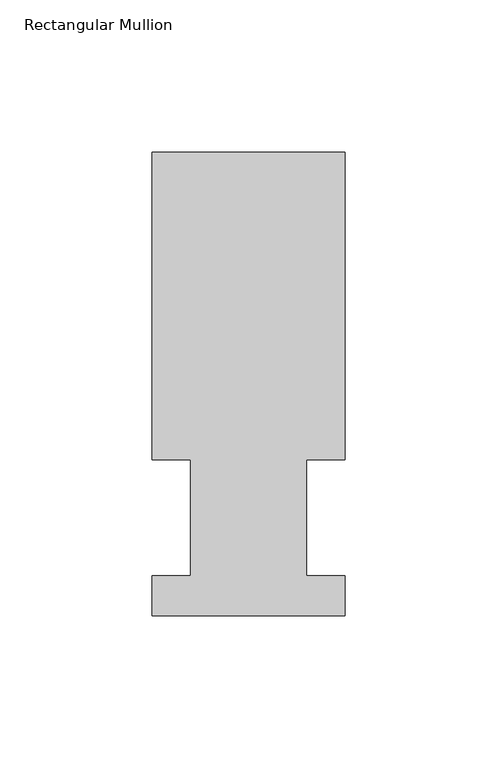
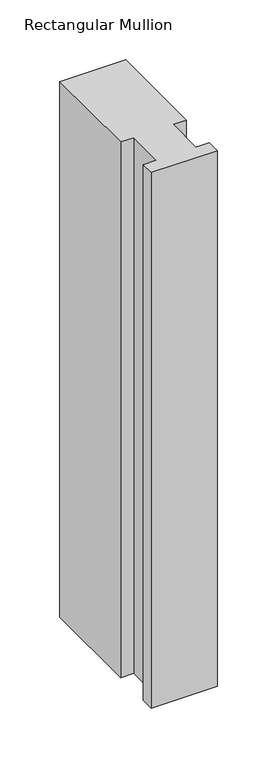
"""IFC4 building model written with IfcOpenShell, lengths in millimetres: member geometry, Rectangular Mullion."""

from ifc_helpers import new_model, si_unit, frame, origin, place, context, project, spatial, polyline, outline, extrude, source, transform, mapped, element, save


def rectangular_mullion_fb7553e6(model_context):
    return source(origin(), model_context, "Body", "SweptSolid", [
        extrude(outline(polyline([(-63.4915079, 190.7881269), (0.0, 190.7881269), (0.0, 89.5945312), (-12.7193383, 89.5945313), (-12.7193383, 51.4945328), (-0.0320361, 51.4945328), (-0.0320361, 38.3304086), (-63.5320361, 38.3304086), (-63.5320361, 51.509309), (-50.8152811, 51.509309), (-50.8152811, 89.5945312), (-63.4915079, 89.5945313), (-63.4915079, 190.7881269)])), frame((0.0, 0.0, -546.1), z_axis=(0.0, 0.0, 1.0), x_axis=(1.0, 0.0, 0.0)), (0.0, 0.0, 1.0), 546.1),
    ])


if __name__ == "__main__":
    model = new_model("IFC4")
    model_context = context("Model", 3, world=origin())
    ifc_project = project(units=[si_unit("LENGTHUNIT", "METRE", prefix="MILLI")], contexts=[model_context])
    site = spatial("IfcSite", under=ifc_project)
    building = spatial("IfcBuilding", under=site)
    placement = place(None, origin())
    rectangular_mullion_shape = rectangular_mullion_fb7553e6(model_context)
    element("IfcMember", 1, ObjectType="Rectangular Mullion", at=placement, inside=building, context=model_context, shape_type="MappedRepresentation", body=[
        mapped(rectangular_mullion_shape, transform((0.0, 0.0, 0.0), x_axis=(1.0, 0.0, 0.0), y_axis=(0.0, 1.0, 0.0), z_axis=(0.0, 0.0, 1.0))),
    ])
    save(model, "model.ifc")
